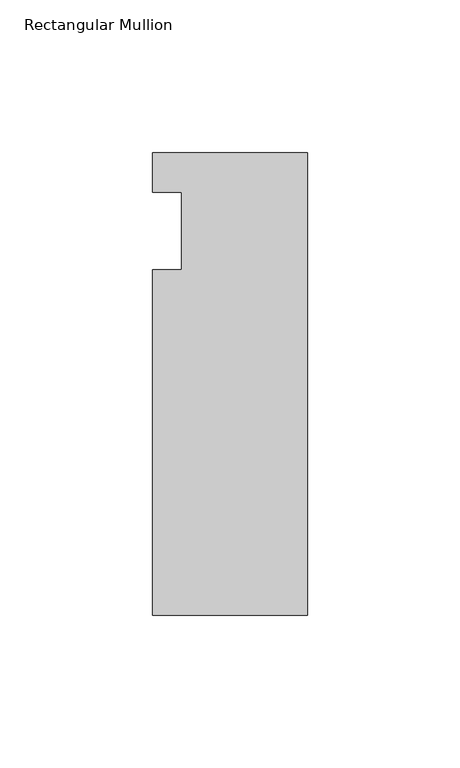
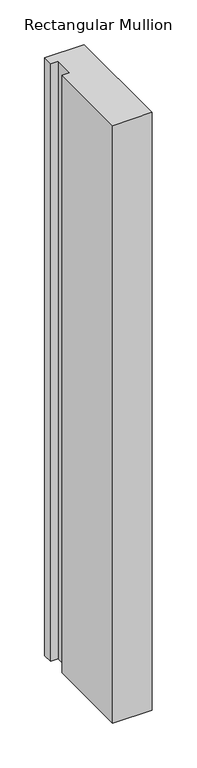
"""IFC4 building model written with IfcOpenShell, lengths in millimetres: member geometry, Rectangular Mullion."""

from ifc_helpers import new_model, si_unit, frame, origin, place, context, project, spatial, polyline, outline, extrude, source, transform, mapped, element, save


def rectangular_mullion_a8f488f9(model_context):
    return source(origin(), model_context, "Body", "SweptSolid", [
        extrude(outline(polyline([(-25.4, 25.796875), (25.4, 25.796875), (25.4, -125.809375), (-25.4, -125.809375), (-25.4, -12.7), (-15.875, -12.7), (-15.875, 12.7), (-25.4, 12.7), (-25.4, 25.796875)])), frame((0.0, 0.0, -812.8), z_axis=(0.0, 0.0, 1.0), x_axis=(1.0, 0.0, 0.0)), (0.0, 0.0, 1.0), 812.8),
    ])


if __name__ == "__main__":
    model = new_model("IFC4")
    model_context = context("Model", 3, world=origin())
    ifc_project = project(units=[si_unit("LENGTHUNIT", "METRE", prefix="MILLI")], contexts=[model_context])
    site = spatial("IfcSite", under=ifc_project)
    building = spatial("IfcBuilding", under=site)
    placement = place(None, origin())
    rectangular_mullion_shape = rectangular_mullion_a8f488f9(model_context)
    element("IfcMember", 1, ObjectType="Rectangular Mullion", at=placement, inside=building, context=model_context, shape_type="MappedRepresentation", body=[
        mapped(rectangular_mullion_shape, transform((0.0, 0.0, 0.0), x_axis=(1.0, 0.0, 0.0), y_axis=(0.0, 1.0, 0.0), z_axis=(0.0, 0.0, 1.0))),
    ])
    save(model, "model.ifc")
